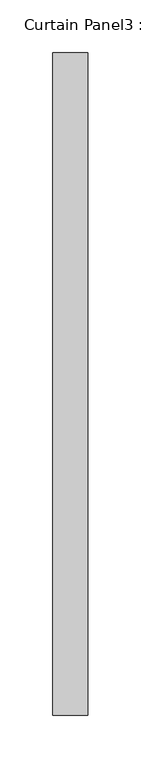
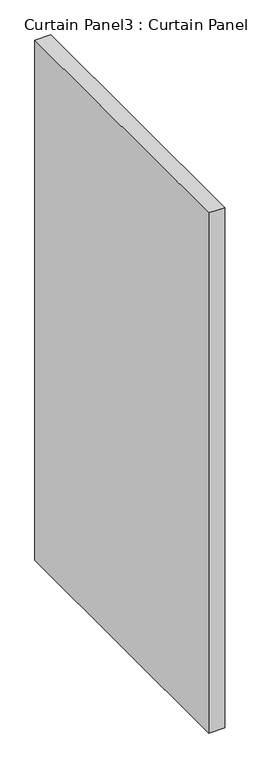
"""IFC4 building model written with IfcOpenShell, lengths in millimetres: plate geometry, Curtain Panel3 : Curtain Panel."""

from ifc_helpers import new_model, si_unit, frame, origin, place, context, project, spatial, polyline, outline, extrude, source, transform, mapped, element, save


def curtain_panel3_curtain_panel_e1126aa4(model_context):
    return source(origin(), model_context, "Body", "SweptSolid", [
        extrude(outline(polyline([(-94355.4609225, 91969.5652371), (-94355.4609225, 91342.085965), (-94388.7984225, 91342.085965), (-94388.7984225, 91969.5652371), (-94355.4609225, 91969.5652371)])), frame((0.0, 0.0, 2457.45), z_axis=(0.0, 0.0, 1.0), x_axis=(1.0, 0.0, 0.0)), (0.0, 0.0, 1.0), 1146.1205281),
    ])


if __name__ == "__main__":
    model = new_model("IFC4")
    model_context = context("Model", 3, world=origin())
    ifc_project = project(units=[si_unit("LENGTHUNIT", "METRE", prefix="MILLI")], contexts=[model_context])
    site = spatial("IfcSite", under=ifc_project)
    building = spatial("IfcBuilding", under=site)
    placement = place(None, origin())
    curtain_panel3_curtain_panel_shape = curtain_panel3_curtain_panel_e1126aa4(model_context)
    element("IfcPlate", 1, ObjectType="Curtain Panel3 : Curtain Panel", at=placement, inside=building, context=model_context, shape_type="MappedRepresentation", body=[
        mapped(curtain_panel3_curtain_panel_shape, transform((0.0, 0.0, 0.0), x_axis=(1.0, 0.0, 0.0), y_axis=(0.0, 1.0, 0.0), z_axis=(0.0, 0.0, 1.0))),
    ])
    save(model, "model.ifc")
